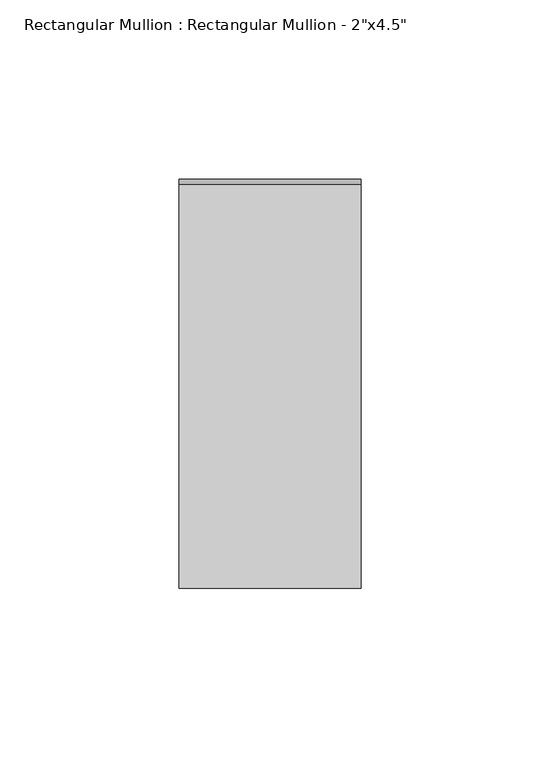
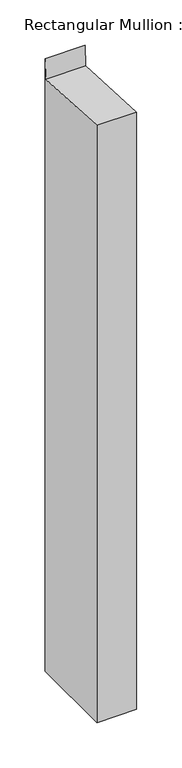
"""IFC4 building model written with IfcOpenShell, lengths in millimetres: member geometry."""

from ifc_helpers import new_model, si_unit, frame, origin, place, context, project, spatial, polyline, outline, extrude, source, transform, mapped, element, save


def member_3c0eae9b(model_context):
    return source(origin(), model_context, "Body", "SweptSolid", [
        extrude(outline(polyline([(-57.15, 3.1720032), (55.6346001, -3.1670049), (57.15, 23.7952212), (57.15, -801.813219), (-57.15, -801.813219), (-57.15, 3.1720032)])), frame((-50.8, 0.0, 0.0), z_axis=(1.0, 0.0, 0.0), x_axis=(0.0, 1.0, 0.0)), (0.0, 0.0, 1.0), 50.8),
    ])


if __name__ == "__main__":
    model = new_model("IFC4")
    model_context = context("Model", 3, world=origin())
    ifc_project = project(units=[si_unit("LENGTHUNIT", "METRE", prefix="MILLI")], contexts=[model_context])
    site = spatial("IfcSite", under=ifc_project)
    building = spatial("IfcBuilding", under=site)
    placement = place(None, origin())
    member_shape = member_3c0eae9b(model_context)
    element("IfcMember", 1, ObjectType="Rectangular Mullion : Rectangular Mullion - 2\"x4.5\"", at=placement, inside=building, context=model_context, shape_type="MappedRepresentation", body=[
        mapped(member_shape, transform((0.0, 0.0, 0.0), x_axis=(1.0, 0.0, 0.0), y_axis=(0.0, 1.0, 0.0), z_axis=(0.0, 0.0, 1.0))),
    ])
    save(model, "model.ifc")
